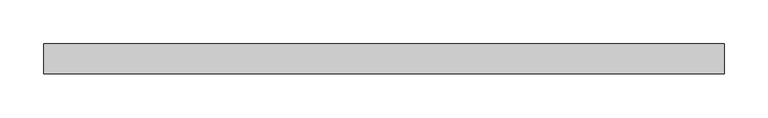
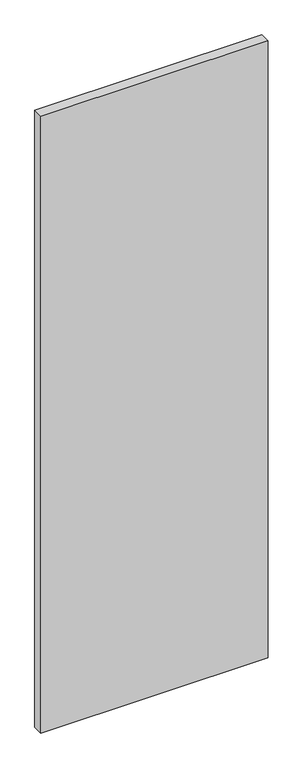
"""IFC4 building model written with IfcOpenShell, lengths in millimetres: plate geometry."""

from ifc_helpers import new_model, si_unit, origin, origin_with_axes, place, context, project, spatial, polyline, outline, extrude, source, transform, mapped, element, save


def plate_a575ee83(model_context):
    return source(origin(), model_context, "Body", "SweptSolid", [
        extrude(outline(polyline([(391.3125, -17.5), (-391.3125, -17.5), (-391.3125, 17.5), (391.3125, 17.5), (391.3125, -17.5)])), origin_with_axes(), (0.0, 0.0, 1.0), 2243.8125),
    ])


if __name__ == "__main__":
    model = new_model("IFC4")
    model_context = context("Model", 3, world=origin())
    ifc_project = project(units=[si_unit("LENGTHUNIT", "METRE", prefix="MILLI")], contexts=[model_context])
    site = spatial("IfcSite", under=ifc_project)
    building = spatial("IfcBuilding", under=site)
    placement = place(None, origin())
    plate_shape = plate_a575ee83(model_context)
    element("IfcPlate", 1, at=placement, inside=building, context=model_context, shape_type="MappedRepresentation", body=[
        mapped(plate_shape, transform((0.0, 0.0, 0.0), x_axis=(1.0, 0.0, 0.0), y_axis=(0.0, 1.0, 0.0), z_axis=(0.0, 0.0, 1.0))),
    ])
    save(model, "model.ifc")
